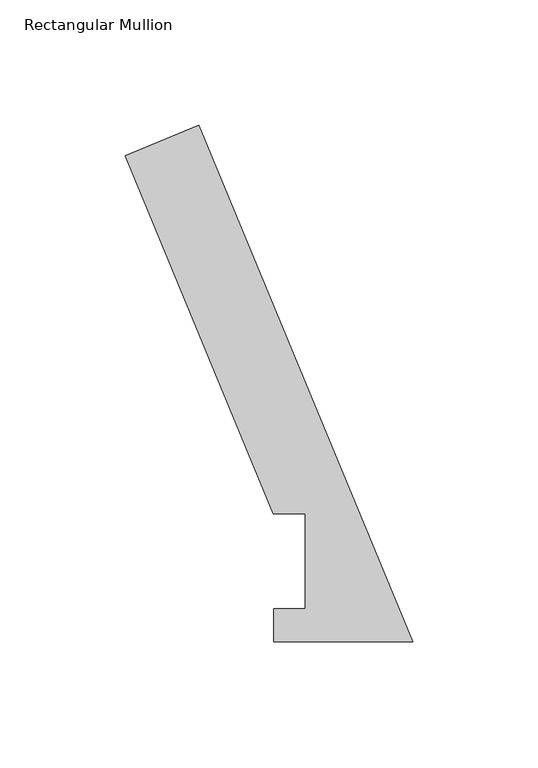
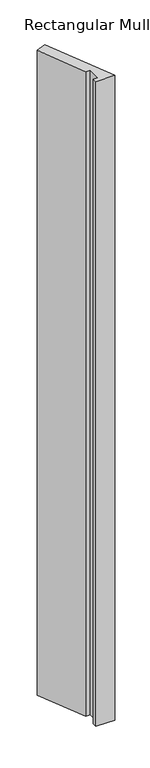
"""IFC4 building model written with IfcOpenShell, lengths in millimetres: member geometry, Rectangular Mullion."""

from ifc_helpers import new_model, si_unit, frame, origin, place, context, project, spatial, polyline, outline, extrude, source, transform, mapped, element, save


def rectangular_mullion_91b15db7(model_context):
    return source(origin(), model_context, "Body", "SweptSolid", [
        extrude(outline(polyline([(-55.5640922, 0.060298), (-55.5640922, 13.2332912), (-42.8885138, 13.2332912), (-42.8885138, 51.2960938), (-55.5885138, 51.2960938), (-114.8134437, 194.2777227), (-85.4802686, 206.4279217), (0.0, 0.060298), (-55.5640922, 0.060298)])), frame((0.0, 0.0, -1993.8999999), z_axis=(0.0, 0.0, 1.0), x_axis=(1.0, 0.0, 0.0)), (0.0, 0.0, 1.0), 1993.8999999),
    ])


if __name__ == "__main__":
    model = new_model("IFC4")
    model_context = context("Model", 3, world=origin())
    ifc_project = project(units=[si_unit("LENGTHUNIT", "METRE", prefix="MILLI")], contexts=[model_context])
    site = spatial("IfcSite", under=ifc_project)
    building = spatial("IfcBuilding", under=site)
    placement = place(None, origin())
    rectangular_mullion_shape = rectangular_mullion_91b15db7(model_context)
    element("IfcMember", 1, ObjectType="Rectangular Mullion", at=placement, inside=building, context=model_context, shape_type="MappedRepresentation", body=[
        mapped(rectangular_mullion_shape, transform((0.0, 0.0, 0.0), x_axis=(1.0, 0.0, 0.0), y_axis=(0.0, 1.0, 0.0), z_axis=(0.0, 0.0, 1.0))),
    ])
    save(model, "model.ifc")
